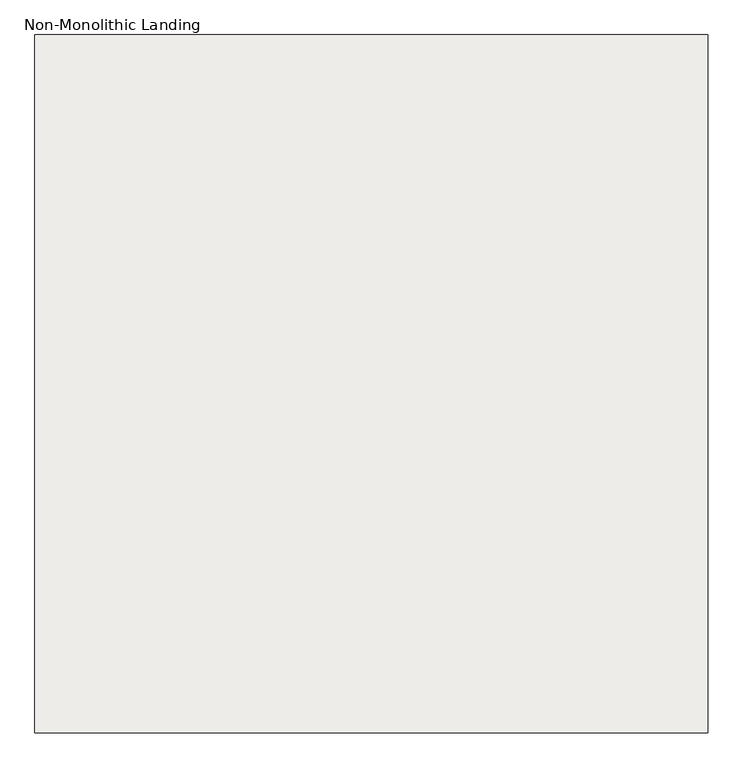
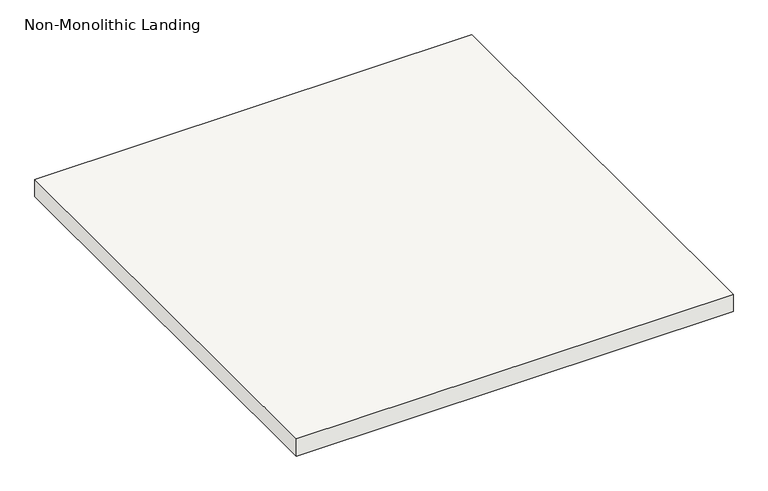
"""IFC4 building model written with IfcOpenShell, lengths in millimetres: slab geometry, Non-Monolithic Landing."""

from ifc_helpers import new_model, si_unit, frame, origin, place, context, project, spatial, polyline, outline, extrude, source, transform, mapped, element, save


def non_monolithic_landing_9711e050(model_context):
    return source(origin(), model_context, "Body", "SweptSolid", [
        extrude(outline(polyline([(-228615.6765136, 149530.5023046), (-228615.6765136, 150795.1952066), (-227396.4765136, 150795.1952066), (-227396.4765136, 149530.5023046), (-228615.6765136, 149530.5023046)])), frame((0.0, 0.0, 1211.9428571), z_axis=(0.0, 0.0, 1.0), x_axis=(1.0, 0.0, 0.0)), (0.0, 0.0, 1.0), 50.8),
    ])


if __name__ == "__main__":
    model = new_model("IFC4")
    model_context = context("Model", 3, world=origin())
    ifc_project = project(units=[si_unit("LENGTHUNIT", "METRE", prefix="MILLI")], contexts=[model_context])
    site = spatial("IfcSite", under=ifc_project)
    building = spatial("IfcBuilding", under=site)
    placement = place(None, origin())
    non_monolithic_landing_shape = non_monolithic_landing_9711e050(model_context)
    element("IfcSlab", 1, ObjectType="Non-Monolithic Landing", at=placement, inside=building, context=model_context, shape_type="MappedRepresentation", body=[
        mapped(non_monolithic_landing_shape, transform((0.0, 0.0, 0.0), x_axis=(1.0, 0.0, 0.0), y_axis=(0.0, 1.0, 0.0), z_axis=(0.0, 0.0, 1.0))),
    ])
    save(model, "model.ifc")
